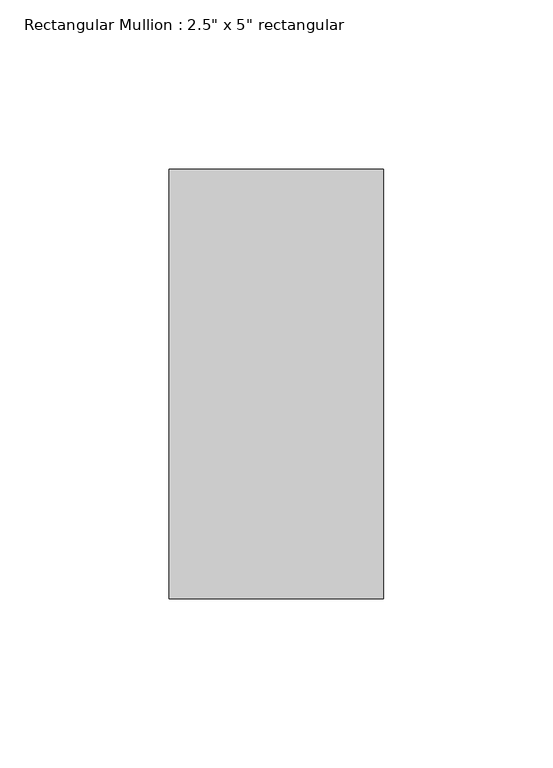
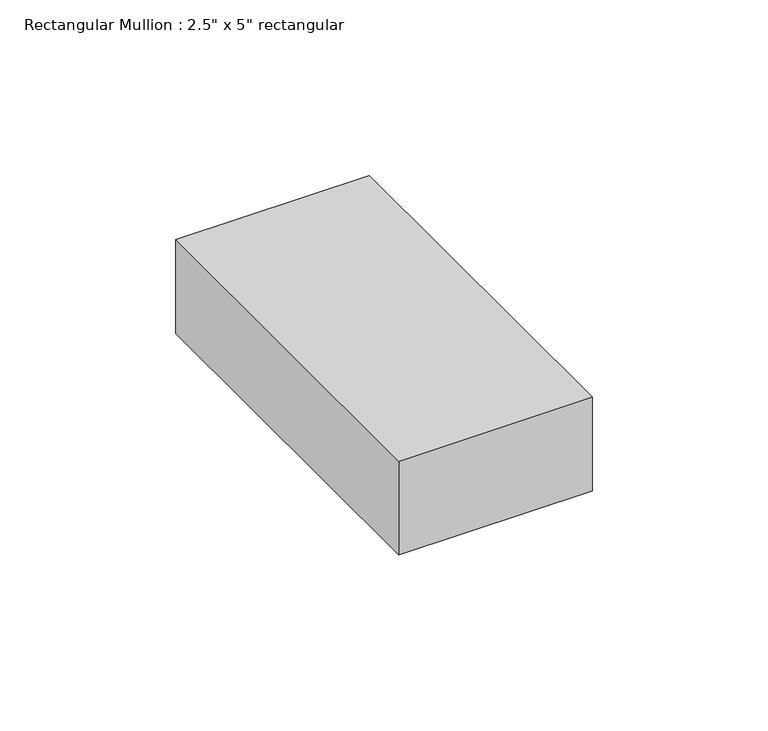
"""IFC4 building model written with IfcOpenShell, lengths in millimetres: member geometry."""

from ifc_helpers import new_model, si_unit, frame, origin, place, context, project, spatial, polyline, outline, extrude, source, transform, mapped, element, save


def member_d1378115(model_context):
    return source(origin(), model_context, "Body", "SweptSolid", [
        extrude(outline(polyline([(31.75, 63.5), (31.75, -63.5), (-31.75, -63.5), (-31.75, 63.5), (31.75, 63.5)])), frame((0.0, 0.0, -32.5697539), z_axis=(0.0, 0.0, 1.0), x_axis=(1.0, 0.0, 0.0)), (0.0, 0.0, 1.0), 32.5697539),
    ])


if __name__ == "__main__":
    model = new_model("IFC4")
    model_context = context("Model", 3, world=origin())
    ifc_project = project(units=[si_unit("LENGTHUNIT", "METRE", prefix="MILLI")], contexts=[model_context])
    site = spatial("IfcSite", under=ifc_project)
    building = spatial("IfcBuilding", under=site)
    placement = place(None, origin())
    member_shape = member_d1378115(model_context)
    element("IfcMember", 1, ObjectType="Rectangular Mullion : 2.5\" x 5\" rectangular", at=placement, inside=building, context=model_context, shape_type="MappedRepresentation", body=[
        mapped(member_shape, transform((0.0, 0.0, 0.0), x_axis=(1.0, 0.0, 0.0), y_axis=(0.0, 1.0, 0.0), z_axis=(0.0, 0.0, 1.0))),
    ])
    save(model, "model.ifc")
